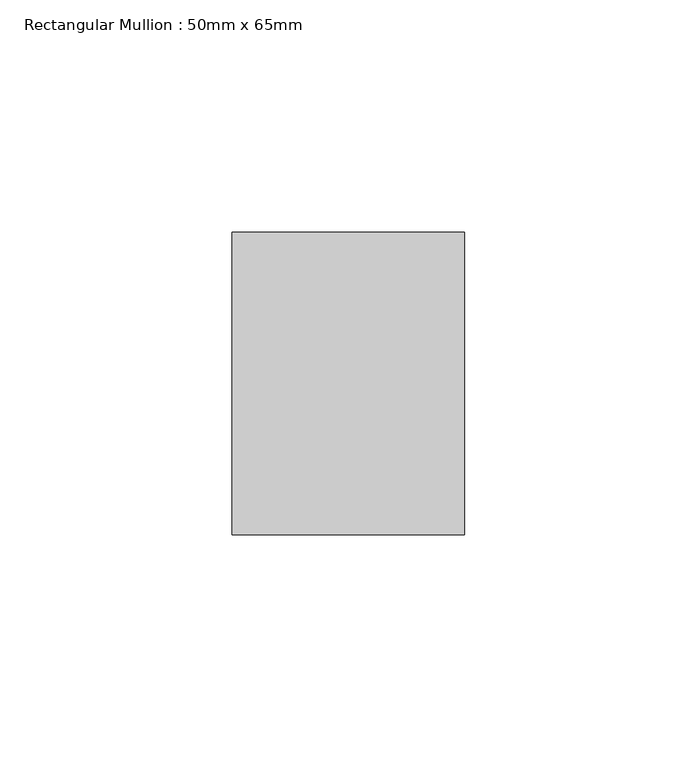
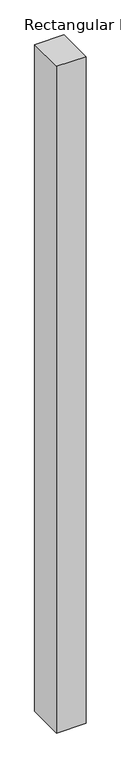
"""IFC4 building model written with IfcOpenShell, lengths in millimetres: member geometry, Rectangular Mullion : 50mm x 65mm."""

from ifc_helpers import new_model, si_unit, frame, origin, place, context, project, spatial, polyline, outline, extrude, source, transform, mapped, element, save


def rectangular_mullion_50mm_x_65mm_dfd454eb(model_context):
    return source(origin(), model_context, "Body", "SweptSolid", [
        extrude(outline(polyline([(25.0, 32.5), (25.0, -32.5), (-25.0, -32.5), (-25.0, 32.5), (25.0, 32.5)])), frame((0.0, 0.0, -1205.1795304), z_axis=(0.0, 0.0, 1.0), x_axis=(1.0, 0.0, 0.0)), (0.0, 0.0, 1.0), 1205.1795304),
    ])


if __name__ == "__main__":
    model = new_model("IFC4")
    model_context = context("Model", 3, world=origin())
    ifc_project = project(units=[si_unit("LENGTHUNIT", "METRE", prefix="MILLI")], contexts=[model_context])
    site = spatial("IfcSite", under=ifc_project)
    building = spatial("IfcBuilding", under=site)
    placement = place(None, origin())
    rectangular_mullion_50mm_x_65mm_shape = rectangular_mullion_50mm_x_65mm_dfd454eb(model_context)
    element("IfcMember", 1, ObjectType="Rectangular Mullion : 50mm x 65mm", at=placement, inside=building, context=model_context, shape_type="MappedRepresentation", body=[
        mapped(rectangular_mullion_50mm_x_65mm_shape, transform((0.0, 0.0, 0.0), x_axis=(1.0, 0.0, 0.0), y_axis=(0.0, 1.0, 0.0), z_axis=(0.0, 0.0, 1.0))),
    ])
    save(model, "model.ifc")
